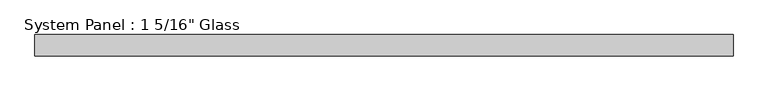
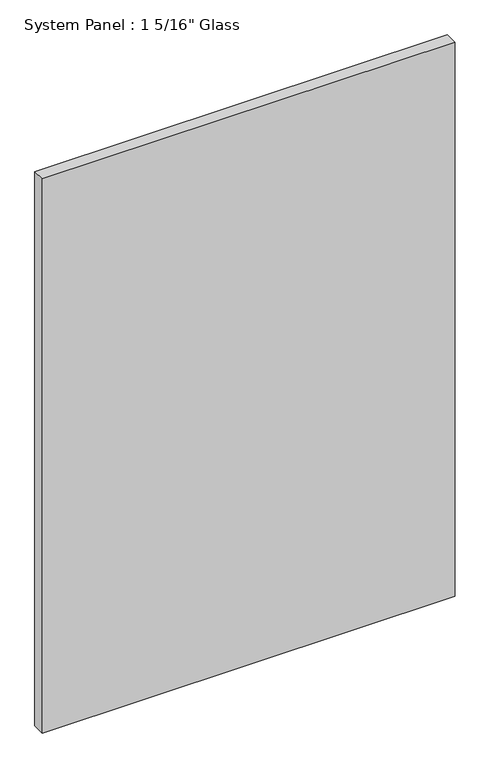
"""IFC4 building model written with IfcOpenShell, lengths in millimetres: plate geometry."""

from ifc_helpers import new_model, si_unit, origin, origin_with_axes, place, context, project, spatial, polyline, outline, extrude, source, transform, mapped, element, save


def plate_411d9f66(model_context):
    return source(origin(), model_context, "Body", "SweptSolid", [
        extrude(outline(polyline([(546.1, -16.66875), (-546.1, -16.66875), (-546.1, 16.66875), (546.1, 16.66875), (546.1, -16.66875)])), origin_with_axes(), (0.0, 0.0, 1.0), 1549.4),
    ])


if __name__ == "__main__":
    model = new_model("IFC4")
    model_context = context("Model", 3, world=origin())
    ifc_project = project(units=[si_unit("LENGTHUNIT", "METRE", prefix="MILLI")], contexts=[model_context])
    site = spatial("IfcSite", under=ifc_project)
    building = spatial("IfcBuilding", under=site)
    placement = place(None, origin())
    plate_shape = plate_411d9f66(model_context)
    element("IfcPlate", 1, ObjectType="System Panel : 1 5/16\" Glass", at=placement, inside=building, context=model_context, shape_type="MappedRepresentation", body=[
        mapped(plate_shape, transform((0.0, 0.0, 0.0), x_axis=(1.0, 0.0, 0.0), y_axis=(0.0, 1.0, 0.0), z_axis=(0.0, 0.0, 1.0))),
    ])
    save(model, "model.ifc")
